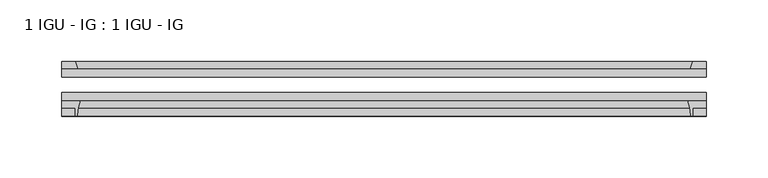
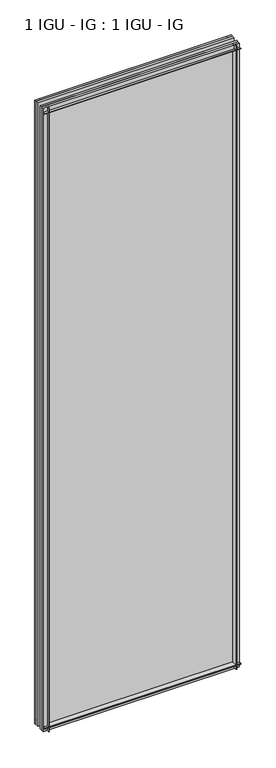
"""IFC4 building model written with IfcOpenShell, lengths in millimetres: plate geometry, 1 IGU - IG : 1 IGU - IG."""

import ifcopenshell
import ifcopenshell.guid

model = None  # the IFC model being written
_history = None  # IfcOwnerHistory: only IFC2X3 demands one
_inside = {}  # id of a spatial element -> (the spatial element, [elements in it])
_under = {}  # id of a project, library or spatial element -> (it, [spatial elements below it])
_declared = {}  # id of a project -> (the project, [libraries it declares])
_typed = {}  # id of a type object -> (the type object, [elements of that type])
_made_of = {}  # id of a material, layer set ... -> (it, [elements and type objects made of it])


def new_model(schema):
    """Start an empty IFC model of exactly this schema.

    Asked for "IFC4X3", IfcOpenShell would pick the latest addendum, in which some entities
    have other attributes; the version numbers below select the first issue.
    IFC2X3 requires an IfcOwnerHistory on every rooted entity: one is made here for all.
    """
    global model, _history
    if schema == "IFC4X3":
        model = ifcopenshell.file(schema_version=(4, 3, 0, 0))
    else:
        model = ifcopenshell.file(schema=schema)
    _inside.clear()
    _under.clear()
    _declared.clear()
    _typed.clear()
    _made_of.clear()
    _history = None
    if model.schema == "IFC2X3":
        org = make("IfcOrganization", Name="unknown")
        user = make(
            "IfcPersonAndOrganization",
            ThePerson=make("IfcPerson", FamilyName="unknown"),
            TheOrganization=org,
        )
        app = make(
            "IfcApplication",
            ApplicationDeveloper=org,
            Version="unknown",
            ApplicationFullName="unknown",
            ApplicationIdentifier="unknown",
        )
        _history = make(
            "IfcOwnerHistory",
            OwningUser=user,
            OwningApplication=app,
            ChangeAction="ADDED",
            CreationDate=0,
        )
    return model


def make(cls, **values):
    """One entity of the class cls with the attributes given. An attribute that is None is left unset."""
    return model.create_entity(
        cls, **{name: value for name, value in values.items() if value is not None}
    )


def rooted(cls, **values):
    """An entity with a GlobalId (a new one), such as an element, a storey or a relation."""
    return make(cls, GlobalId=ifcopenshell.guid.new(), OwnerHistory=_history, **values)


def si_unit(unit_type, name, prefix=None):
    """IfcSIUnit, for example si_unit("LENGTHUNIT", "METRE", prefix="MILLI")."""
    return make("IfcSIUnit", UnitType=unit_type, Prefix=prefix, Name=name)


def assignment(units):
    """IfcUnitAssignment: the units of a project."""
    return None if units is None else make("IfcUnitAssignment", Units=units)


def point(xyz):
    """IfcCartesianPoint."""
    return None if xyz is None else make("IfcCartesianPoint", Coordinates=xyz)


def direction(xyz):
    """IfcDirection."""
    return None if xyz is None else make("IfcDirection", DirectionRatios=xyz)


def frame(location, z_axis=None, x_axis=None):
    """IfcAxis2Placement3D, a coordinate frame: its origin and axes. An axis left out is left unset."""
    return make(
        "IfcAxis2Placement3D",
        Location=point(location),
        Axis=direction(z_axis),
        RefDirection=direction(x_axis),
    )


def frame_2d(location, x_axis=None):
    """IfcAxis2Placement2D, a coordinate frame in the plane: its origin and x axis."""
    return make(
        "IfcAxis2Placement2D", Location=point(location), RefDirection=direction(x_axis)
    )


def origin():
    """The frame at (0, 0, 0) with its axes left unset."""
    return frame((0.0, 0.0, 0.0))


def place(relative_to, where):
    """IfcLocalPlacement: puts the frame where relative to a parent placement (None: the world)."""
    return make(
        "IfcLocalPlacement", PlacementRelTo=relative_to, RelativePlacement=where
    )


def context(
    kind, dimensions, precision=None, world=None, true_north=None, identifier=None
):
    """IfcGeometricRepresentationContext, for example the 3D "Model" context."""
    return make(
        "IfcGeometricRepresentationContext",
        ContextIdentifier=identifier,
        ContextType=kind,
        CoordinateSpaceDimension=dimensions,
        Precision=precision,
        WorldCoordinateSystem=world,
        TrueNorth=true_north,
    )


def project(units=None, contexts=None):
    """IfcProject with its units and contexts."""
    return rooted(
        "IfcProject",
        Name="project",
        RepresentationContexts=contexts,
        UnitsInContext=assignment(units),
    )


def spatial(cls, under=None, at=None, **own):
    """A site, building, storey or space (cls), placed at a placement, below another one or the project."""
    s = rooted(cls, ObjectPlacement=at, **own)
    if under is not None:
        _under.setdefault(under.id(), (under, []))[1].append(s)
    return s


def polyline(points):
    """IfcPolyline through the points."""
    return make("IfcPolyline", Points=[point(p) for p in points])


def circle_curve(where, radius):
    """IfcCircle in the frame where."""
    return make("IfcCircle", Position=where, Radius=radius)


def trimmed(basis, trim1, trim2, sense, master):
    """IfcTrimmedCurve: the piece of a basis curve between two trims."""
    return make(
        "IfcTrimmedCurve",
        BasisCurve=basis,
        Trim1=trim1,
        Trim2=trim2,
        SenseAgreement=sense,
        MasterRepresentation=master,
    )


def segment(curve, same_sense, transition):
    """IfcCompositeCurveSegment."""
    return make(
        "IfcCompositeCurveSegment",
        Transition=transition,
        SameSense=same_sense,
        ParentCurve=curve,
    )


def composite_curve(segments, self_intersect=None):
    """IfcCompositeCurve: segments joined end to end."""
    return make("IfcCompositeCurve", Segments=segments, SelfIntersect=self_intersect)


def outline(outer, holes=None, kind="AREA"):
    """IfcArbitraryClosedProfileDef: a profile drawn as a closed curve; with holes, ...WithVoids."""
    if holes is None:
        return make("IfcArbitraryClosedProfileDef", ProfileType=kind, OuterCurve=outer)
    return make(
        "IfcArbitraryProfileDefWithVoids",
        ProfileType=kind,
        OuterCurve=outer,
        InnerCurves=holes,
    )


def extrude(swept, where, along, depth):
    """IfcExtrudedAreaSolid: the profile swept, set in the frame where, extruded along a direction by depth."""
    return make(
        "IfcExtrudedAreaSolid",
        SweptArea=swept,
        Position=where,
        ExtrudedDirection=direction(along),
        Depth=depth,
    )


def shape(context_of_items, identifier, shape_type, items):
    """IfcShapeRepresentation: the items that make up one representation, for example the "Body"."""
    return make(
        "IfcShapeRepresentation",
        ContextOfItems=context_of_items,
        RepresentationIdentifier=identifier,
        RepresentationType=shape_type,
        Items=items,
    )


def source(mapping_origin, context_of_items, identifier, shape_type, items):
    """IfcRepresentationMap: a shape defined once, which mapped items show again and again."""
    return make(
        "IfcRepresentationMap",
        MappingOrigin=mapping_origin,
        MappedRepresentation=shape(context_of_items, identifier, shape_type, items),
    )


def transform(
    local_origin,
    x_axis=None,
    y_axis=None,
    z_axis=None,
    scale=None,
    scale2=None,
    scale3=None,
    uniform=True,
):
    """IfcCartesianTransformationOperator3D, or its non-uniform kind. x_axis, y_axis, z_axis: its Axis1, 2, 3."""
    if uniform:
        return make(
            "IfcCartesianTransformationOperator3D",
            Axis1=direction(x_axis),
            Axis2=direction(y_axis),
            LocalOrigin=point(local_origin),
            Scale=scale,
            Axis3=direction(z_axis),
        )
    return make(
        "IfcCartesianTransformationOperator3DnonUniform",
        Axis1=direction(x_axis),
        Axis2=direction(y_axis),
        LocalOrigin=point(local_origin),
        Scale=scale,
        Axis3=direction(z_axis),
        Scale2=scale2,
        Scale3=scale3,
    )


def mapped(mapping_source, mapping_target):
    """IfcMappedItem: shows the shape of a source again, moved by a transform."""
    return make(
        "IfcMappedItem", MappingSource=mapping_source, MappingTarget=mapping_target
    )


def made_of(thing, what):
    """Note that an element or type object is made of a material, layer set ...; save() writes the relation."""
    if what is not None:
        _made_of.setdefault(what.id(), (what, []))[1].append(thing)
    return thing


def element(
    cls,
    number,
    at=None,
    inside=None,
    cuts=None,
    type_object=None,
    material=None,
    context=None,
    identifier="Body",
    shape_type=None,
    held_by="IfcProductDefinitionShape",
    body=None,
    shapes=None,
    **own,
):
    """One element of the class cls, such as IfcWall. Its Tag is "e" and its number.

    at: its placement. inside: the storey or other place that contains it. cuts: it is an
    opening in that element (IfcRelVoidsElement). A single representation is given by context,
    identifier, shape_type and body (its items); several are given by shapes. held_by: the class
    of the entity that holds the representations. save() writes the other relations.
    """
    e = rooted(cls, Tag="e%d" % number, ObjectPlacement=at, **own)
    if body is not None:
        shapes = [shape(context, identifier, shape_type, body)]
    if shapes is not None:
        e.Representation = make(held_by, Representations=shapes)
    if inside is not None:
        _inside.setdefault(inside.id(), (inside, []))[1].append(e)
    if cuts is not None:
        rooted(
            "IfcRelVoidsElement", RelatingBuildingElement=cuts, RelatedOpeningElement=e
        )
    if type_object is not None:
        _typed.setdefault(type_object.id(), (type_object, []))[1].append(e)
    return made_of(e, material)


def aggregate(whole, parts):
    """IfcRelAggregates: a whole, such as a stair, and the parts it consists of."""
    return rooted("IfcRelAggregates", RelatingObject=whole, RelatedObjects=parts)


def save(model, path):
    """Write the relations noted so far, then the file.

    IfcRelAggregates (storeys below a building ...), IfcRelContainedInSpatialStructure (elements
    in a storey), IfcRelDefinesByType, IfcRelAssociatesMaterial and IfcRelDeclares: one each for
    every whole, place, type object, material and project.
    """
    for whole, parts in _under.values():
        aggregate(whole, parts)
    for where, things in _inside.values():
        rooted(
            "IfcRelContainedInSpatialStructure",
            RelatedElements=things,
            RelatingStructure=where,
        )
    for kind, things in _typed.values():
        rooted("IfcRelDefinesByType", RelatedObjects=things, RelatingType=kind)
    for what, things in _made_of.values():
        rooted("IfcRelAssociatesMaterial", RelatedObjects=things, RelatingMaterial=what)
    for by, libraries in _declared.values():
        rooted("IfcRelDeclares", RelatingContext=by, RelatedDefinitions=libraries)
    model.write(path)


def plate_1_igu_ig_1_igu_ig_98fa9eed(model_context):
    return source(origin(), model_context, "Body", "SweptSolid", [
        extrude(outline(polyline([(261.9375, -31.75), (261.9375, -38.1), (-261.9375, -38.1), (-261.9375, -31.75), (261.9375, -31.75)])), frame((0.0, 0.0, -11.1125), z_axis=(0.0, 0.0, 1.0), x_axis=(1.0, 0.0, 0.0)), (0.0, 0.0, 1.0), 1755.775),
        extrude(outline(polyline([(-261.9375, -12.7), (261.9375, -12.7), (261.9375, -19.05), (-261.9375, -19.05), (-261.9375, -12.7)])), frame((0.0, 0.0, -11.1125), z_axis=(0.0, 0.0, 1.0), x_axis=(1.0, 0.0, 0.0)), (0.0, 0.0, 1.0), 1755.775),
        extrude(outline(composite_curve([segment(polyline([(-261.9375, -38.1), (-246.6438207, -38.1)]), True, "CONTINUOUS"), segment(trimmed(circle_curve(frame_2d((-203.3848044, -53.3794536)), 45.8781451), [point((-246.6438207, -38.1))], [point((-249.1450572, -50.0925922))], True, "CARTESIAN"), True, "CONTINUOUS"), segment(trimmed(circle_curve(frame_2d((-249.9050991, -50.038)), 0.762), [point((-249.1450572, -50.0925922))], [point((-249.9050991, -50.8))], False, "CARTESIAN"), True, "CONTINUOUS"), segment(polyline([(-249.9050991, -50.8), (-250.825, -50.8), (-250.825, -44.45), (-261.9375, -44.45), (-261.9375, -38.1)]), True, "CONTINUOUS")], self_intersect=False)), frame((0.0, 0.0, -11.1125), z_axis=(0.0, 0.0, 1.0), x_axis=(1.0, 0.0, 0.0)), (0.0, 0.0, 1.0), 1755.775),
        extrude(outline(polyline([(-248.7197229, -12.7), (-261.9375, -12.7), (-261.9375, -6.35), (-250.825, -6.35), (-248.7197229, -12.7)])), frame((0.0, 0.0, -11.1125), z_axis=(0.0, 0.0, 1.0), x_axis=(1.0, 0.0, 0.0)), (0.0, 0.0, 1.0), 1755.775),
        extrude(outline(polyline([(261.9375, -12.7), (248.7197229, -12.7), (250.825, -6.35), (261.9375, -6.35), (261.9375, -12.7)])), frame((0.0, 0.0, -11.1125), z_axis=(0.0, 0.0, 1.0), x_axis=(1.0, 0.0, 0.0)), (0.0, 0.0, 1.0), 1755.775),
        extrude(outline(composite_curve([segment(polyline([(246.6438207, -38.1), (261.9375, -38.1), (261.9375, -44.45), (250.825, -44.45), (250.825, -50.8), (249.9050991, -50.8)]), True, "CONTINUOUS"), segment(trimmed(circle_curve(frame_2d((249.9050991, -50.038)), 0.762), [point((249.9050991, -50.8))], [point((249.1450572, -50.0925922))], False, "CARTESIAN"), True, "CONTINUOUS"), segment(trimmed(circle_curve(frame_2d((203.3848044, -53.3794536)), 45.8781451), [point((249.1450572, -50.0925922))], [point((246.6438207, -38.1))], True, "CARTESIAN"), True, "CONTINUOUS")], self_intersect=False)), frame((0.0, 0.0, -11.1125), z_axis=(0.0, 0.0, 1.0), x_axis=(1.0, 0.0, 0.0)), (0.0, 0.0, 1.0), 1755.775),
        extrude(outline(polyline([(-12.7, -11.1125), (-12.7, 2.1052771), (-6.35, 0.0), (-6.35, -11.1125), (-12.7, -11.1125)])), frame((-261.9375, 0.0, 0.0), z_axis=(1.0, 0.0, 0.0), x_axis=(0.0, 1.0, 0.0)), (0.0, 0.0, 1.0), 523.875),
        extrude(outline(composite_curve([segment(polyline([(-38.1, 4.1811793), (-38.1, -11.1125), (-44.45, -11.1125), (-44.45, 0.0), (-50.8, 0.0), (-50.8, 0.9199009)]), True, "CONTINUOUS"), segment(trimmed(circle_curve(frame_2d((-50.038, 0.9199009)), 0.762), [point((-50.8, 0.9199009))], [point((-50.0925922, 1.6799428))], False, "CARTESIAN"), True, "CONTINUOUS"), segment(trimmed(circle_curve(frame_2d((-53.3794536, 47.4401956)), 45.8781451), [point((-50.0925922, 1.6799428))], [point((-38.1, 4.1811793))], True, "CARTESIAN"), True, "CONTINUOUS")], self_intersect=False)), frame((-261.9375, 0.0, 0.0), z_axis=(1.0, 0.0, 0.0), x_axis=(0.0, 1.0, 0.0)), (0.0, 0.0, 1.0), 523.875),
        extrude(outline(polyline([(-6.35, 1733.55), (-12.7, 1731.4447229), (-12.7, 1744.6625), (-6.35, 1744.6625), (-6.35, 1733.55)])), frame((-261.9375, 0.0, 0.0), z_axis=(1.0, 0.0, 0.0), x_axis=(0.0, 1.0, 0.0)), (0.0, 0.0, 1.0), 523.875),
        extrude(outline(composite_curve([segment(polyline([(-38.1, 1744.6625), (-38.1, 1729.3688207)]), True, "CONTINUOUS"), segment(trimmed(circle_curve(frame_2d((-53.3794536, 1686.1098044)), 45.8781451), [point((-38.1, 1729.3688207))], [point((-50.0925922, 1731.8700572))], True, "CARTESIAN"), True, "CONTINUOUS"), segment(trimmed(circle_curve(frame_2d((-50.038, 1732.6300991)), 0.762), [point((-50.0925922, 1731.8700572))], [point((-50.8, 1732.6300991))], False, "CARTESIAN"), True, "CONTINUOUS"), segment(polyline([(-50.8, 1732.6300991), (-50.8, 1733.55), (-44.45, 1733.55), (-44.45, 1744.6625), (-38.1, 1744.6625)]), True, "CONTINUOUS")], self_intersect=False)), frame((-261.9375, 0.0, 0.0), z_axis=(1.0, 0.0, 0.0), x_axis=(0.0, 1.0, 0.0)), (0.0, 0.0, 1.0), 523.875),
    ])


if __name__ == "__main__":
    model = new_model("IFC4")
    model_context = context("Model", 3, world=origin())
    ifc_project = project(units=[si_unit("LENGTHUNIT", "METRE", prefix="MILLI")], contexts=[model_context])
    site = spatial("IfcSite", under=ifc_project)
    building = spatial("IfcBuilding", under=site)
    placement = place(None, origin())
    plate_1_igu_ig_1_igu_ig_shape = plate_1_igu_ig_1_igu_ig_98fa9eed(model_context)
    element("IfcPlate", 1, ObjectType="1 IGU - IG : 1 IGU - IG", at=placement, inside=building, context=model_context, shape_type="MappedRepresentation", body=[
        mapped(plate_1_igu_ig_1_igu_ig_shape, transform((0.0, 0.0, 0.0), x_axis=(1.0, 0.0, 0.0), y_axis=(0.0, 1.0, 0.0), z_axis=(0.0, 0.0, 1.0))),
    ])
    save(model, "model.ifc")
